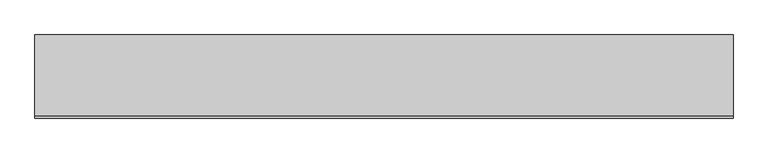
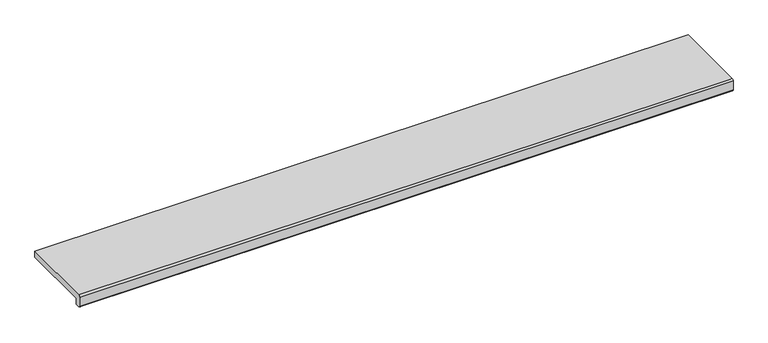
"""IFC4 building model written with IfcOpenShell, lengths in millimetres: proxy geometry."""

from ifc_helpers import new_model, si_unit, point, frame, frame_2d, origin, place, context, project, spatial, polyline, circle_curve, trimmed, segment, composite_curve, outline, extrude, source, transform, mapped, element, save


def generic_models_4d77ee9e(model_context):
    return source(origin(), model_context, "Body", "SweptSolid", [
        extrude(outline(composite_curve([segment(polyline([(-245.0, 30.0), (0.0, 30.0), (0.0, 10.0), (-230.0, 10.0), (-230.0, -10.0), (-245.0, -10.0)]), True, "CONTINUOUS"), segment(trimmed(circle_curve(frame_2d((-245.0, -5.0)), 5.0), [point((-245.0, -10.0))], [point((-250.0, -5.0))], False, "CARTESIAN"), True, "CONTINUOUS"), segment(polyline([(-250.0, -5.0), (-250.0, 25.0)]), True, "CONTINUOUS"), segment(trimmed(circle_curve(frame_2d((-245.0, 25.0)), 5.0), [point((-250.0, 25.0))], [point((-245.0, 30.0))], False, "CARTESIAN"), True, "CONTINUOUS")], self_intersect=False)), frame((-1050.0, 0.0, 0.0), z_axis=(1.0, 0.0, 0.0), x_axis=(0.0, 1.0, 0.0)), (0.0, 0.0, 1.0), 2100.0),
    ])


if __name__ == "__main__":
    model = new_model("IFC4")
    model_context = context("Model", 3, world=origin())
    ifc_project = project(units=[si_unit("LENGTHUNIT", "METRE", prefix="MILLI")], contexts=[model_context])
    site = spatial("IfcSite", under=ifc_project)
    building = spatial("IfcBuilding", under=site)
    placement = place(None, origin())
    generic_models_shape = generic_models_4d77ee9e(model_context)
    element("IfcBuildingElementProxy", 1, Name="Generic Models", at=placement, inside=building, context=model_context, shape_type="MappedRepresentation", body=[
        mapped(generic_models_shape, transform((0.0, 0.0, 0.0), x_axis=(1.0, 0.0, 0.0), y_axis=(0.0, 1.0, 0.0), z_axis=(0.0, 0.0, 1.0))),
    ])
    save(model, "model.ifc")
